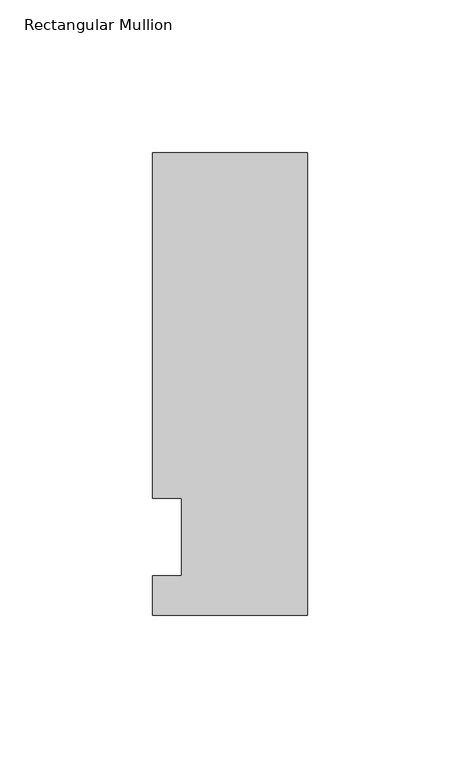
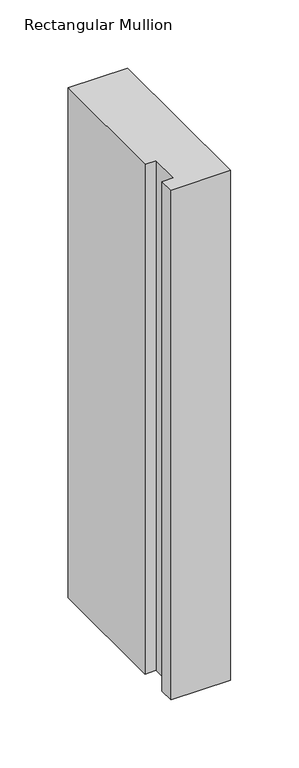
"""IFC4 building model written with IfcOpenShell, lengths in millimetres: member geometry, Rectangular Mullion."""

from ifc_helpers import new_model, si_unit, frame, origin, place, context, project, spatial, polyline, outline, extrude, source, transform, mapped, element, save


def rectangular_mullion_576df048(model_context):
    return source(origin(), model_context, "Body", "SweptSolid", [
        extrude(outline(polyline([(-50.8, -25.5827379), (-50.8, -12.7), (-41.275, -12.7), (-41.275, 12.7), (-50.8, 12.7), (-50.8, 125.8533), (0.0, 125.8533), (0.0, -25.5827379), (-50.8, -25.5827379)])), frame((0.0, 0.0, -457.2), z_axis=(0.0, 0.0, 1.0), x_axis=(1.0, 0.0, 0.0)), (0.0, 0.0, 1.0), 457.2),
    ])


if __name__ == "__main__":
    model = new_model("IFC4")
    model_context = context("Model", 3, world=origin())
    ifc_project = project(units=[si_unit("LENGTHUNIT", "METRE", prefix="MILLI")], contexts=[model_context])
    site = spatial("IfcSite", under=ifc_project)
    building = spatial("IfcBuilding", under=site)
    placement = place(None, origin())
    rectangular_mullion_shape = rectangular_mullion_576df048(model_context)
    element("IfcMember", 1, ObjectType="Rectangular Mullion", at=placement, inside=building, context=model_context, shape_type="MappedRepresentation", body=[
        mapped(rectangular_mullion_shape, transform((0.0, 0.0, 0.0), x_axis=(1.0, 0.0, 0.0), y_axis=(0.0, 1.0, 0.0), z_axis=(0.0, 0.0, 1.0))),
    ])
    save(model, "model.ifc")
